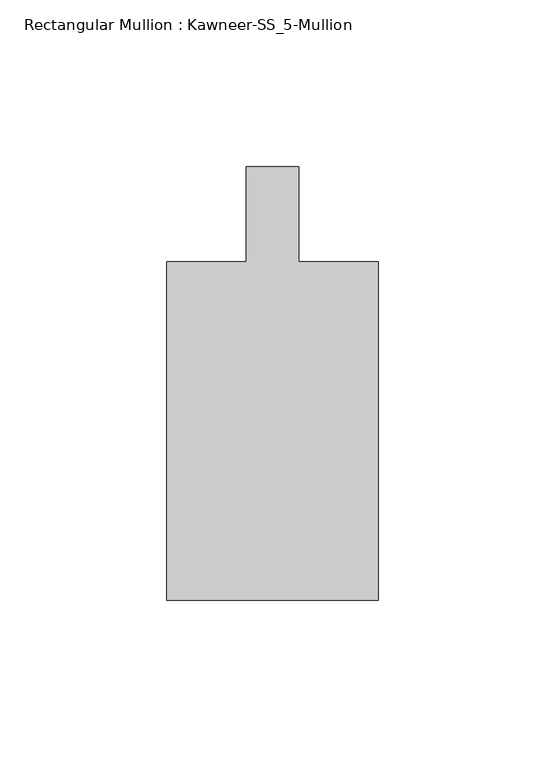
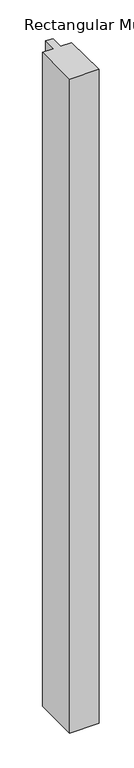
"""IFC4 building model written with IfcOpenShell, lengths in millimetres: member geometry, Rectangular Mullion : Kawneer-SS_5-Mullion."""

from ifc_helpers import new_model, si_unit, frame, origin, place, context, project, spatial, polyline, outline, extrude, source, transform, mapped, element, save


def rectangular_mullion_kawneer_ss_5_mullion_5a11d9cb(model_context):
    return source(origin(), model_context, "Body", "SweptSolid", [
        extrude(outline(polyline([(-31.75, -115.8875), (-31.75, -14.2875), (-7.9375, -14.2875), (-7.9375, 14.2875), (7.9375, 14.2875), (7.9375, -14.2875), (31.75, -14.2875), (31.75, -115.8875), (-31.75, -115.8875)])), frame((0.0, 0.0, -1492.25), z_axis=(0.0, 0.0, 1.0), x_axis=(1.0, 0.0, 0.0)), (0.0, 0.0, 1.0), 1492.25),
    ])


if __name__ == "__main__":
    model = new_model("IFC4")
    model_context = context("Model", 3, world=origin())
    ifc_project = project(units=[si_unit("LENGTHUNIT", "METRE", prefix="MILLI")], contexts=[model_context])
    site = spatial("IfcSite", under=ifc_project)
    building = spatial("IfcBuilding", under=site)
    placement = place(None, origin())
    rectangular_mullion_kawneer_ss_5_mullion_shape = rectangular_mullion_kawneer_ss_5_mullion_5a11d9cb(model_context)
    element("IfcMember", 1, ObjectType="Rectangular Mullion : Kawneer-SS_5-Mullion", at=placement, inside=building, context=model_context, shape_type="MappedRepresentation", body=[
        mapped(rectangular_mullion_kawneer_ss_5_mullion_shape, transform((0.0, 0.0, 0.0), x_axis=(1.0, 0.0, 0.0), y_axis=(0.0, 1.0, 0.0), z_axis=(0.0, 0.0, 1.0))),
    ])
    save(model, "model.ifc")
